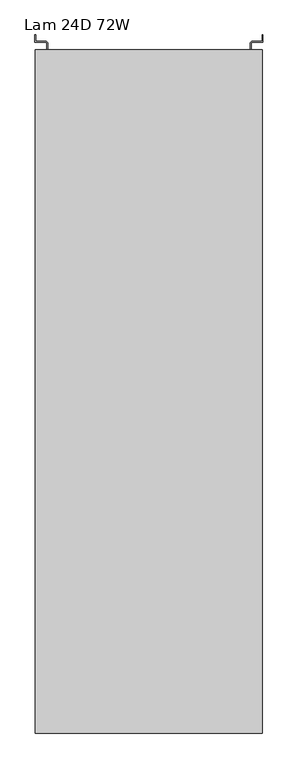
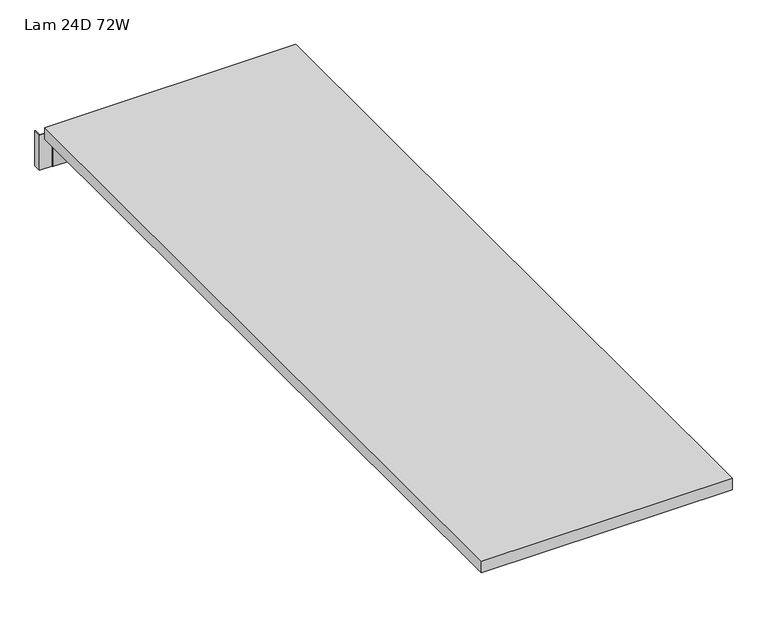
"""IFC4 building model written with IfcOpenShell, lengths in millimetres: furniture geometry, Lam 24D 72W."""

from ifc_helpers import new_model, si_unit, frame, origin, place, context, project, spatial, polyline, outline, extrude, faceted_brep, source, transform, mapped, element, save


def lam_24d_72w_b01c5b62(model_context):
    return source(origin(), model_context, "Body", "SolidModel", [
        faceted_brep([(-384.9085985, 208.9646437, 671.5252), (-384.9085985, 278.3066437, 616.0262), (-384.9085985, 278.3066437, 704.9262), (-384.9085985, 260.0186437, 704.9262), (-384.9085985, 260.0186437, 707.009), (-384.9085985, 208.9646437, 707.009), (-386.9405985, 278.3066437, 616.0262), (-386.9405985, 208.9646437, 671.5252), (-386.9405985, 208.9646437, 704.9262), (-386.9405985, 260.0186437, 704.9262), (-386.9405985, 278.3066437, 704.9262), (-435.7085985, 208.9646437, 707.009), (-435.7085985, 208.9646437, 704.9262), (-355.1905985, 282.3706437, 704.9262), (-382.8765985, 282.3706437, 704.9262), (-382.8765985, 280.3386437, 704.9262), (-353.1585985, 280.3386437, 704.9262), (-353.1585985, 299.3886437, 704.9262), (-355.1905985, 299.3886437, 704.9262), (-355.1905985, 282.3706437, 616.0262), (-355.1905985, 299.3886437, 616.0262), (-353.1585985, 299.3886437, 616.0262), (-353.1585985, 280.3386437, 616.0262), (-382.8765985, 280.3386437, 616.0262), (-382.8765985, 282.3706437, 616.0262), (-435.7085985, 260.0186437, 704.9262), (-435.7085985, 260.0186437, 707.009)], [[[0, 1, 2, 3, 4, 5]], [[6, 7, 8, 9, 10]], [[0, 5, 11, 12, 8, 7]], [[13, 14, 10, 9, 3, 2, 15, 16, 17, 18]], [[1, 0, 7, 6]], [[19, 20, 21, 22, 23, 1, 6, 24]], [[20, 19, 13, 18]], [[21, 20, 18, 17]], [[22, 21, 17, 16]], [[23, 22, 16, 15]], [[19, 24, 14, 13]], [[24, 6, 10, 14]], [[1, 23, 15, 2]], [[12, 25, 9, 8]], [[26, 11, 5, 4]], [[26, 4, 3, 9, 25]], [[25, 12, 11, 26]]]),
        faceted_brep([(-880.2085985, 260.0186437, 704.9262), (-880.2085985, 208.9646437, 704.9262), (-928.9765985, 208.9646437, 704.9262), (-928.9765985, 260.0186437, 704.9262), (-880.2085985, 260.0186437, 707.009), (-931.0085985, 260.0186437, 707.009), (-931.0085985, 208.9646437, 707.009), (-880.2085985, 208.9646437, 707.009), (-931.0085985, 260.0186437, 704.9262), (-931.0085985, 278.3066437, 704.9262), (-931.0085985, 278.3066437, 616.0262), (-931.0085985, 208.9646437, 671.5252), (-928.9765985, 208.9646437, 671.5252), (-928.9765985, 278.3066437, 616.0262), (-928.9765985, 278.3066437, 704.9262), (-933.0405985, 282.3706437, 704.9262), (-960.7265985, 282.3706437, 704.9262), (-960.7265985, 299.3886437, 704.9262), (-962.7585985, 299.3886437, 704.9262), (-962.7585985, 280.3386437, 704.9262), (-933.0405985, 280.3386437, 704.9262), (-960.7265985, 282.3706437, 616.0262), (-933.0405985, 282.3706437, 616.0262), (-933.0405985, 280.3386437, 616.0262), (-962.7585985, 280.3386437, 616.0262), (-962.7585985, 299.3886437, 616.0262), (-960.7265985, 299.3886437, 616.0262)], [[[0, 1, 2, 3]], [[4, 5, 6, 7]], [[5, 4, 0, 3, 8]], [[6, 5, 8, 9, 10, 11]], [[7, 6, 11, 12, 2, 1]], [[1, 0, 4, 7]], [[2, 12, 13, 14, 3]], [[11, 10, 13, 12]], [[9, 8, 3, 14, 15, 16, 17, 18, 19, 20]], [[21, 22, 13, 10, 23, 24, 25, 26]], [[21, 26, 17, 16]], [[26, 25, 18, 17]], [[25, 24, 19, 18]], [[24, 23, 20, 19]], [[23, 10, 9, 20]], [[13, 22, 15, 14]], [[22, 21, 16, 15]]]),
        extrude(outline(polyline([(-354.6825985, 260.2726437), (-354.6825985, -1567.0033563), (-961.2345985, -1567.0033563), (-961.2345985, 260.2726437), (-354.6825985, 260.2726437)])), frame((0.0, 0.0, 707.009), z_axis=(0.0, 0.0, 1.0), x_axis=(1.0, 0.0, 0.0)), (0.0, 0.0, 1.0), 29.591),
    ])


if __name__ == "__main__":
    model = new_model("IFC4")
    model_context = context("Model", 3, world=origin())
    ifc_project = project(units=[si_unit("LENGTHUNIT", "METRE", prefix="MILLI")], contexts=[model_context])
    site = spatial("IfcSite", under=ifc_project)
    building = spatial("IfcBuilding", under=site)
    placement = place(None, origin())
    lam_24d_72w_shape = lam_24d_72w_b01c5b62(model_context)
    element("IfcFurniture", 1, ObjectType="Lam 24D 72W", at=placement, inside=building, context=model_context, shape_type="MappedRepresentation", body=[
        mapped(lam_24d_72w_shape, transform((0.0, 0.0, 0.0), x_axis=(1.0, 0.0, 0.0), y_axis=(0.0, 1.0, 0.0), z_axis=(0.0, 0.0, 1.0))),
    ])
    save(model, "model.ifc")
